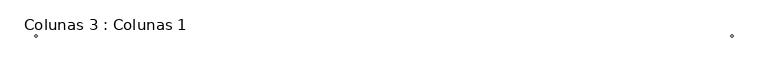
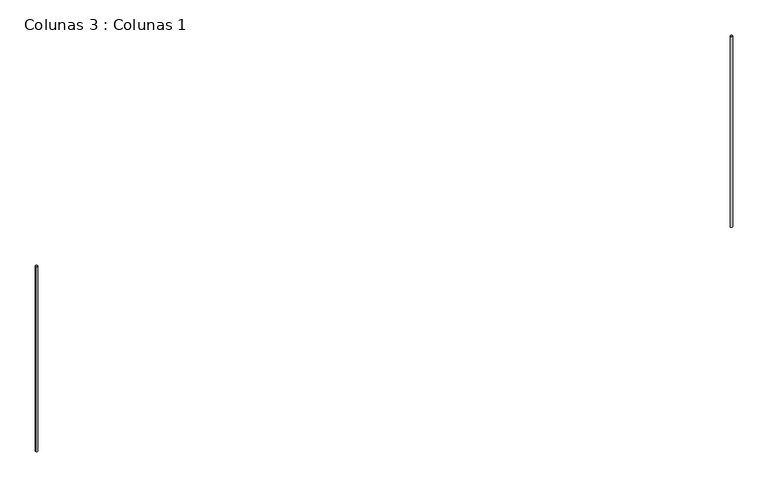
"""IFC4 building model written with IfcOpenShell, lengths in millimetres: column geometry, Colunas 3 : Colunas 1."""

from ifc_helpers import new_model, si_unit, point, frame, frame_2d, origin, place, context, project, spatial, circle_curve, trimmed, segment, composite_curve, outline, extrude, source, transform, mapped, element, save


def colunas_3_colunas_1_426cf313(model_context):
    return source(origin(), model_context, "Body", "SweptSolid", [
        extrude(outline(composite_curve([segment(trimmed(circle_curve(frame_2d((-13636.6793999, 807.0004229)), 50.0), [point((-13686.6793999, 807.0004229))], [point((-13586.6793999, 807.0004229))], False, "CARTESIAN"), True, "CONTINUOUS"), segment(trimmed(circle_curve(frame_2d((-13636.6793999, 807.0004229)), 50.0), [point((-13586.6793999, 807.0004229))], [point((-13686.6793999, 807.0004229))], False, "CARTESIAN"), True, "CONTINUOUS")], self_intersect=False)), frame((0.0, 0.0, -201.5253255), z_axis=(0.0, 0.0, 1.0), x_axis=(1.0, 0.0, 0.0)), (0.0, 0.0, 1.0), 9200.8016572),
        extrude(outline(composite_curve([segment(trimmed(circle_curve(frame_2d((19071.3850012, 807.0004229)), 50.0), [point((19021.3850012, 807.0004229))], [point((19121.3850012, 807.0004229))], False, "CARTESIAN"), True, "CONTINUOUS"), segment(trimmed(circle_curve(frame_2d((19071.3850012, 807.0004229)), 50.0), [point((19121.3850012, 807.0004229))], [point((19021.3850012, 807.0004229))], False, "CARTESIAN"), True, "CONTINUOUS")], self_intersect=False)), frame((0.0, 0.0, -489.7481915), z_axis=(0.0, 0.0, 1.0), x_axis=(1.0, 0.0, 0.0)), (0.0, 0.0, 1.0), 9491.4624196),
    ])


if __name__ == "__main__":
    model = new_model("IFC4")
    model_context = context("Model", 3, world=origin())
    ifc_project = project(units=[si_unit("LENGTHUNIT", "METRE", prefix="MILLI")], contexts=[model_context])
    site = spatial("IfcSite", under=ifc_project)
    building = spatial("IfcBuilding", under=site)
    placement = place(None, origin())
    colunas_3_colunas_1_shape = colunas_3_colunas_1_426cf313(model_context)
    element("IfcColumn", 1, ObjectType="Colunas 3 : Colunas 1", at=placement, inside=building, context=model_context, shape_type="MappedRepresentation", body=[
        mapped(colunas_3_colunas_1_shape, transform((0.0, 0.0, 0.0), x_axis=(1.0, 0.0, 0.0), y_axis=(0.0, 1.0, 0.0), z_axis=(0.0, 0.0, 1.0))),
    ])
    save(model, "model.ifc")
